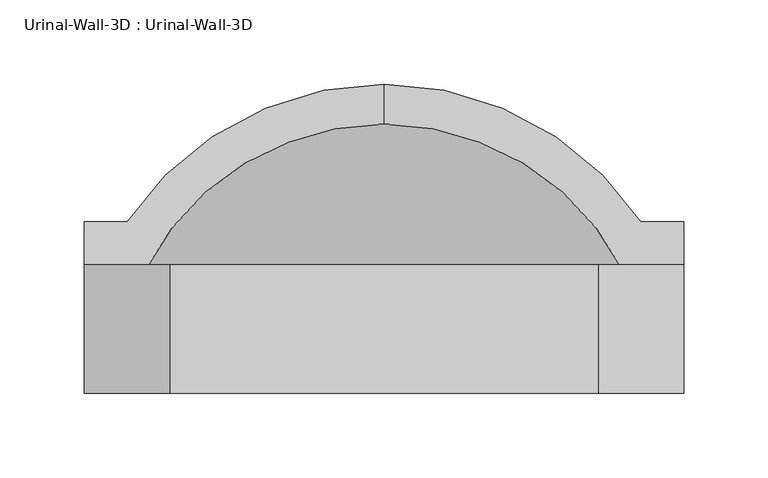
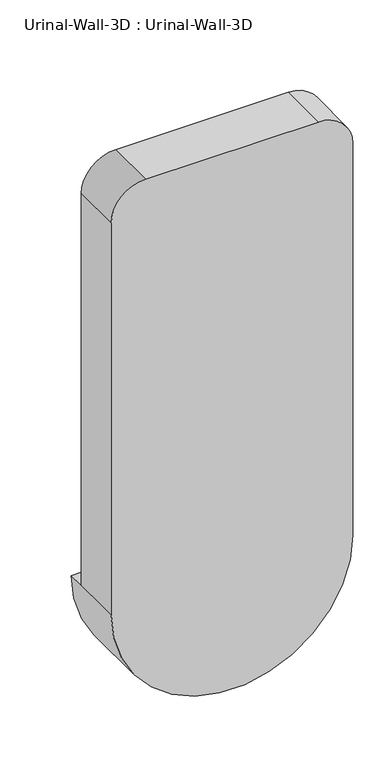
"""IFC4 building model written with IfcOpenShell, lengths in millimetres: flow terminal geometry, Urinal-Wall-3D : Urinal-Wall-3D."""

from ifc_helpers import new_model, si_unit, point, frame, origin, place, context, project, spatial, polyline, circle_curve, ellipse_curve, trimmed, source, transform, mapped, element, save
from ifc_brep_helpers import plane_surface, cylinder_surface, revolved_surface, advanced_brep


def urinal_wall_3d_urinal_wall_3d_6b1a8a98(model_context):
    return source(origin(), model_context, "Body", "AdvancedBrep", [
        advanced_brep(
        [(-109.0745999, 222.8495048, 609.6), (-109.0745999, 199.1322043, 609.6), (43.3254001, 86.5581063, 609.6), (43.3254001, 115.8875, 609.6), (68.7254001, 115.8875, 609.6), (68.7254001, 141.2875, 609.6), (43.3254001, 141.2875, 609.6), (-261.4745999, 141.2875, 609.6), (-286.8745999, 141.2875, 609.6), (-286.8745999, 115.8875, 609.6), (-261.4745999, 115.8875, 609.6), (-261.4745999, 86.5581063, 609.6), (-261.4745999, 52.3875, 609.6), (43.3254001, 52.3875, 609.6), (-286.8745999, 39.6875, 609.6), (68.7254001, 39.6875, 609.6), (68.7254001, 39.6875, 1219.2), (17.9254001, 39.6875, 1270.0), (-236.0745999, 39.6875, 1270.0), (-286.8745999, 39.6875, 1219.2), (43.3254001, 115.8875, 1168.4), (-7.4745999, 115.8875, 1219.2), (-210.6745999, 115.8875, 1219.2), (-261.4745999, 115.8875, 1168.4), (-286.8745999, 115.8875, 1219.2), (-236.0745999, 115.8875, 1270.0), (17.9254001, 115.8875, 1270.0), (68.7254001, 115.8875, 1219.2), (43.3254001, 52.3875, 1168.4), (-7.4745999, 52.3875, 1219.2), (-210.6745999, 52.3875, 1219.2), (-261.4745999, 52.3875, 1168.4)],
        [
            (0, 1),
            (1, 2, circle_curve(frame((-109.0745999, 39.6875, 609.6), z_axis=(0.0, 0.0, -1.0), x_axis=(1.0, 0.0, 0.0)), 159.4447043)),
            (2, 3),
            (3, 4),
            (4, 5),
            (5, 6),
            (6, 0, circle_curve(frame((-109.0745999, 39.6875, 609.6), z_axis=(0.0, 0.0, 1.0), x_axis=(1.0, 0.0, 0.0)), 183.1620048)),
            (0, 7, circle_curve(frame((-109.0745999, 39.6875, 609.6), z_axis=(0.0, 0.0, 1.0), x_axis=(-1.0, 0.0, 0.0)), 183.1620048)),
            (7, 8),
            (8, 9),
            (9, 10),
            (10, 11),
            (11, 1, circle_curve(frame((-109.0745999, 39.6875, 609.6), z_axis=(0.0, 0.0, -1.0), x_axis=(-1.0, 0.0, 0.0)), 159.4447043)),
            (11, 2, circle_curve(frame((-109.0745999, 86.5581063, 609.6), z_axis=(0.0, -1.0, 0.0), x_axis=(1.0, 0.0, 0.0)), 152.4)),
            (11, 12),
            (12, 13, circle_curve(frame((-109.0745999, 52.3875, 609.6), z_axis=(0.0, -1.0, 0.0), x_axis=(1.0, 0.0, 0.0)), 152.4)),
            (13, 2),
            (14, 15, circle_curve(frame((-109.0745999, 39.6875, 609.6), z_axis=(0.0, -1.0, 0.0), x_axis=(1.0, 0.0, 0.0)), 177.8)),
            (15, 16),
            (16, 17, circle_curve(frame((17.9254001, 39.6875, 1219.2), z_axis=(0.0, -1.0, 0.0), x_axis=(-1.0, 0.0, 0.0)), 50.8)),
            (17, 18),
            (18, 19, circle_curve(frame((-236.0745999, 39.6875, 1219.2), z_axis=(0.0, -1.0, 0.0), x_axis=(-1.0, 0.0, 0.0)), 50.8)),
            (19, 14),
            (14, 9),
            (8, 5, circle_curve(frame((-109.0745999, 141.2875, 609.6), z_axis=(0.0, -1.0, 0.0), x_axis=(1.0, 0.0, 0.0)), 177.8)),
            (4, 15),
            (7, 6, circle_curve(frame((-109.0745999, 141.2875, 609.6), z_axis=(0.0, -1.0, 0.0), x_axis=(1.0, 0.0, 0.0)), 152.4)),
            (3, 20),
            (20, 21, circle_curve(frame((-7.4745999, 115.8875, 1168.4), z_axis=(0.0, -1.0, 0.0), x_axis=(-1.0, 0.0, 0.0)), 50.8)),
            (21, 22),
            (22, 23, circle_curve(frame((-210.6745999, 115.8875, 1168.4), z_axis=(0.0, -1.0, 0.0), x_axis=(-1.0, 0.0, 0.0)), 50.8)),
            (23, 10),
            (9, 24),
            (24, 25, circle_curve(frame((-236.0745999, 115.8875, 1219.2), z_axis=(0.0, 1.0, 0.0), x_axis=(-1.0, 0.0, 0.0)), 50.8)),
            (25, 26),
            (26, 27, circle_curve(frame((17.9254001, 115.8875, 1219.2), z_axis=(0.0, 1.0, 0.0), x_axis=(-1.0, 0.0, 0.0)), 50.8)),
            (27, 4),
            (13, 28),
            (28, 20),
            (28, 29, circle_curve(frame((-7.4745999, 52.3875, 1168.4), z_axis=(0.0, -1.0, 0.0), x_axis=(-1.0, 0.0, 0.0)), 50.8)),
            (29, 21),
            (29, 30),
            (30, 22),
            (30, 31, circle_curve(frame((-210.6745999, 52.3875, 1168.4), z_axis=(0.0, -1.0, 0.0), x_axis=(-1.0, 0.0, 0.0)), 50.8)),
            (31, 23),
            (31, 12),
            (19, 24),
            (18, 25),
            (17, 26),
            (16, 27),
        ],
        [
            plane_surface(frame((-109.0745999, 328.8979173, 609.6), z_axis=(0.0, 0.0, 1.0), x_axis=(1.0, 0.0, 0.0))),
            plane_surface(frame((-109.0745999, 328.8979173, 609.6), z_axis=(0.0, 0.0, 1.0), x_axis=(-1.0, 0.0, 0.0))),
            revolved_surface(trimmed(ellipse_curve(frame((-109.0745999, 39.6875, 609.6), z_axis=(0.0, 0.0, -1.0), x_axis=(1.0, 0.0, 0.0)), 159.4447043, 159.4447043), [point((-109.0745999, 199.1322043, 609.6))], [point((43.3254001, 86.5581063, 609.6))], True, "CARTESIAN"), (-109.0745999, 328.8979173, 609.6), (0.0, 1.0, 0.0)),
            revolved_surface(polyline([(43.32540010000001, 86.55810630000002, 609.6), (43.32540010000001, 52.38749999999999, 609.6)]), (-109.0745999, 328.8979173, 609.6), (0.0, 1.0, 0.0)),
            plane_surface(frame((-109.0745999, 39.6875, 609.6), z_axis=(0.0, -1.0, 0.0), x_axis=(1.0, 0.0, 0.0))),
            cylinder_surface(frame((-109.0745999, 328.8979173, 609.6), z_axis=(0.0, 1.0, 0.0), x_axis=(1.0, 0.0, 0.0)), 177.8),
            plane_surface(frame((-109.0745999, 141.2875, 609.6), z_axis=(0.0, 1.0, 0.0), x_axis=(1.0, 0.0, 0.0))),
            revolved_surface(trimmed(ellipse_curve(frame((-109.0745999, 39.6875, 609.6), z_axis=(0.0, 0.0, 1.0), x_axis=(1.0, 0.0, 0.0)), 183.1620048, 183.1620048), [point((43.3254001, 141.2875, 609.6))], [point((-109.0745999, 222.8495048, 609.6))], True, "CARTESIAN"), (-109.0745999, 328.8979173, 609.6), (0.0, 1.0, 0.0)),
            plane_surface(frame((43.3254001, 115.8875, 609.6), z_axis=(0.0, 1.0, 0.0), x_axis=(0.0, 0.0, 1.0))),
            plane_surface(frame((43.3254001, 115.8875, 609.6), z_axis=(-1.0, 0.0, 0.0), x_axis=(0.0, -1.0, 0.0))),
            revolved_surface(polyline([(-58.2745999, 52.3875, 1168.4), (-58.2745999, 115.8875, 1168.4)]), (-7.4745999, 39.6875, 1168.4), (0.0, -1.0, 0.0)),
            plane_surface(frame((-7.4745999, 115.8875, 1219.2), z_axis=(0.0, 0.0, -1.0), x_axis=(0.0, -1.0, 0.0))),
            revolved_surface(polyline([(-261.4745999, 52.3875, 1168.4), (-261.4745999, 115.8875, 1168.4)]), (-210.6745999, 39.6875, 1168.4), (0.0, -1.0, 0.0)),
            plane_surface(frame((-261.4745999, 115.8875, 1168.4), z_axis=(1.0, 0.0, 0.0), x_axis=(0.0, -1.0, 0.0))),
            plane_surface(frame((-286.8745999, 115.8875, 609.6), z_axis=(-1.0, 0.0, 0.0), x_axis=(0.0, -1.0, 0.0))),
            cylinder_surface(frame((-236.0745999, 39.6875, 1219.2), z_axis=(0.0, 1.0, 0.0), x_axis=(-1.0, 0.0, 0.0)), 50.8),
            plane_surface(frame((-236.0745999, 115.8875, 1270.0), z_axis=(0.0, 0.0, 1.0), x_axis=(0.0, -1.0, 0.0))),
            cylinder_surface(frame((17.9254001, 39.6875, 1219.2), z_axis=(0.0, 1.0, 0.0), x_axis=(-1.0, 0.0, 0.0)), 50.8),
            plane_surface(frame((68.7254001, 115.8875, 1219.2), z_axis=(1.0, 0.0, 0.0), x_axis=(0.0, -1.0, 0.0))),
            plane_surface(frame((43.3254001, 52.3875, 609.6), z_axis=(0.0, 1.0, 0.0), x_axis=(0.0, 0.0, -1.0))),
        ],
        [
            (0, [[1, 2, 3, 4, 5, 6, 7]]),
            (1, [[-1, 8, 9, 10, 11, 12, 13]]),
            (2, [[-2, -13, 14]]),
            (3, [[-14, 15, 16, 17]]),
            (4, [[18, 19, 20, 21, 22, 23]]),
            (5, [[-18, 24, -10, 25, -5, 26]]),
            (6, [[-6, -25, -9, 27]]),
            (7, [[-7, -27, -8]]),
            (8, [[28, 29, 30, 31, 32, -11, 33, 34, 35, 36, 37, -4]]),
            (9, [[-28, -3, -17, 38, 39]]),
            (10, [[-29, -39, 40, 41]]),
            (11, [[-30, -41, 42, 43]]),
            (12, [[-31, -43, 44, 45]]),
            (13, [[-32, -45, 46, -15, -12]]),
            (14, [[-33, -24, -23, 47]]),
            (15, [[-34, -47, -22, 48]]),
            (16, [[-35, -48, -21, 49]]),
            (17, [[-36, -49, -20, 50]]),
            (18, [[-37, -50, -19, -26]]),
            (19, [[-16, -46, -44, -42, -40, -38]]),
        ],
    ),
    ])


if __name__ == "__main__":
    model = new_model("IFC4")
    model_context = context("Model", 3, world=origin())
    ifc_project = project(units=[si_unit("LENGTHUNIT", "METRE", prefix="MILLI")], contexts=[model_context])
    site = spatial("IfcSite", under=ifc_project)
    building = spatial("IfcBuilding", under=site)
    placement = place(None, origin())
    urinal_wall_3d_urinal_wall_3d_shape = urinal_wall_3d_urinal_wall_3d_6b1a8a98(model_context)
    element("IfcFlowTerminal", 1, ObjectType="Urinal-Wall-3D : Urinal-Wall-3D", at=placement, inside=building, context=model_context, shape_type="MappedRepresentation", body=[
        mapped(urinal_wall_3d_urinal_wall_3d_shape, transform((0.0, 0.0, 0.0), x_axis=(1.0, 0.0, 0.0), y_axis=(0.0, 1.0, 0.0), z_axis=(0.0, 0.0, 1.0))),
    ])
    save(model, "model.ifc")
